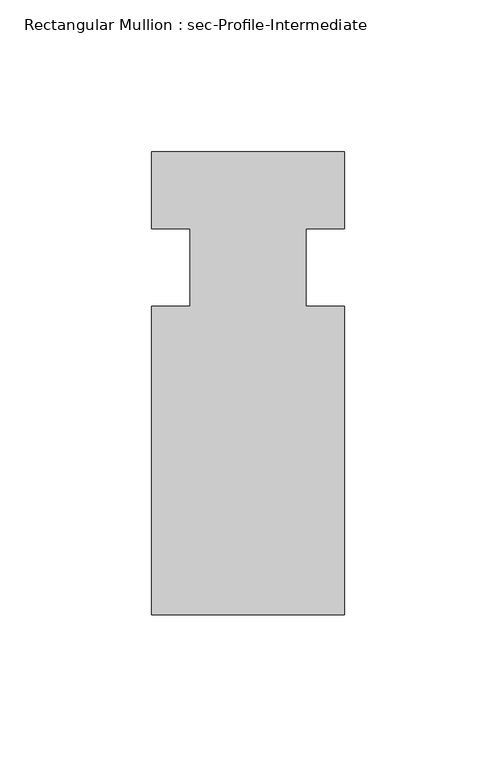
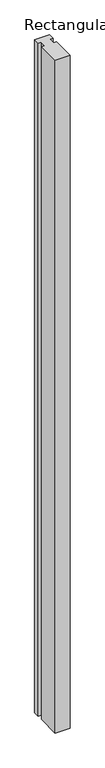
"""IFC4 building model written with IfcOpenShell, lengths in millimetres: member geometry, Rectangular Mullion : sec-Profile-Intermediate."""

from ifc_helpers import new_model, si_unit, frame, origin, place, context, project, spatial, polyline, outline, extrude, source, transform, mapped, element, save


def rectangular_mullion_sec_profile_intermediate_7422cd37(model_context):
    return source(origin(), model_context, "Body", "SweptSolid", [
        extrude(outline(polyline([(-63.5, 50.8), (0.0, 50.8), (0.0, 25.4), (-12.7, 25.4), (-12.7, 0.0), (0.0, 0.0), (0.0, -101.6), (-63.5, -101.6), (-63.5, 0.0), (-50.8, 0.0), (-50.8, 25.4), (-63.5, 25.4), (-63.5, 50.8)])), frame((0.0, 0.0, -3048.0), z_axis=(0.0, 0.0, 1.0), x_axis=(1.0, 0.0, 0.0)), (0.0, 0.0, 1.0), 3048.0),
    ])


if __name__ == "__main__":
    model = new_model("IFC4")
    model_context = context("Model", 3, world=origin())
    ifc_project = project(units=[si_unit("LENGTHUNIT", "METRE", prefix="MILLI")], contexts=[model_context])
    site = spatial("IfcSite", under=ifc_project)
    building = spatial("IfcBuilding", under=site)
    placement = place(None, origin())
    rectangular_mullion_sec_profile_intermediate_shape = rectangular_mullion_sec_profile_intermediate_7422cd37(model_context)
    element("IfcMember", 1, ObjectType="Rectangular Mullion : sec-Profile-Intermediate", at=placement, inside=building, context=model_context, shape_type="MappedRepresentation", body=[
        mapped(rectangular_mullion_sec_profile_intermediate_shape, transform((0.0, 0.0, 0.0), x_axis=(1.0, 0.0, 0.0), y_axis=(0.0, 1.0, 0.0), z_axis=(0.0, 0.0, 1.0))),
    ])
    save(model, "model.ifc")
